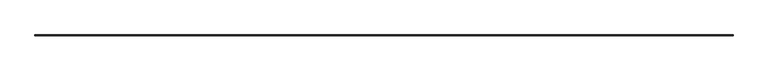
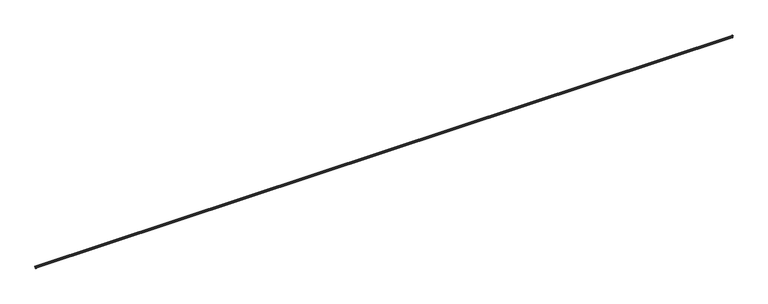
"""IFC4 building model written with IfcOpenShell, lengths in millimetres: railing geometry."""

from ifc_helpers import new_model, si_unit, frame, origin, place, context, project, spatial, polyline, circle_curve, ellipse_curve, source, transform, mapped, element, save
from ifc_brep_helpers import plane_surface, cylinder_surface, revolved_surface, advanced_brep


def railing_9c1cf154(model_context):
    return source(origin(), model_context, "Body", "AdvancedBrep", [
        advanced_brep(
        [(-23692.4271234, 80050.9828523, 648.6835597), (-23692.4271234, 80050.9828523, 647.8898097), (-23682.3805712, 80050.9828523, 647.8898097), (-23680.4249094, 80050.9828523, 664.2162889), (-23680.5377499, 80050.9828523, 688.1838761), (-23678.9257362, 80050.9828523, 693.5247624), (-23680.0271148, 80050.9828523, 706.1931384), (-23693.5336281, 80050.9828523, 710.9985349), (-23693.5336281, 80050.9828523, 710.1560441), (-23680.2931801, 80050.9828523, 705.4453094), (-23679.3281713, 80050.9828523, 694.2090688), (-23679.7193055, 80050.9828523, 693.5467635), (-23681.2147813, 80050.9828523, 688.5987516), (-23681.1229878, 80050.9828523, 663.8375236), (-23682.7548431, 80050.9828523, 648.6835597), (-41982.6401328, 80050.9828523, 648.6835597), (-41992.3124131, 80050.9828523, 648.6835597), (-41993.9442683, 80050.9828523, 663.8375236), (-41993.8524748, 80050.9828523, 688.5987516), (-41995.3479506, 80050.9828523, 693.5467635), (-41995.7390848, 80050.9828523, 694.2090688), (-41994.774076, 80050.9828523, 705.4453094), (-41981.5336281, 80050.9828523, 710.1560441), (-41981.5336281, 80050.9828523, 710.9985349), (-41995.0401414, 80050.9828523, 706.1931384), (-41996.14152, 80050.9828523, 693.5247624), (-41994.5295062, 80050.9828523, 688.1838761), (-41994.6423468, 80050.9828523, 664.2162889), (-41992.6866849, 80050.9828523, 647.8898097), (-41982.6401328, 80050.9828523, 647.8898097), (-23680.2931801, 80065.0170503, 705.4453094), (-23693.5336281, 80051.7766023, 710.1560441), (-41981.5336281, 80051.7766023, 710.1560441), (-41994.774076, 80065.0170503, 705.4453094), (-23679.3281713, 80065.9820591, 694.2090688), (-41995.7390848, 80065.9820591, 694.2090688), (-23679.7193055, 80065.5909248, 693.5467635), (-41995.3479506, 80065.5909248, 693.5467635), (-23681.2147813, 80064.095449, 688.5987516), (-41993.8524748, 80064.095449, 688.5987516), (-23681.1229878, 80064.1872426, 663.8375236), (-41993.9442683, 80064.1872426, 663.8375236), (-23682.7548431, 80062.5553873, 648.6835597), (-41992.3124131, 80062.5553873, 648.6835597), (-23693.5336281, 80051.7766023, 710.9985349), (-23680.0271148, 80065.2831156, 706.1931384), (-41995.0401414, 80065.2831156, 706.1931384), (-41981.5336281, 80051.7766023, 710.9985349), (-23678.9257362, 80066.3844942, 693.5247624), (-41996.14152, 80066.3844942, 693.5247624), (-23680.5377499, 80064.7724805, 688.1838761), (-41994.5295062, 80064.7724805, 688.1838761), (-23680.4249094, 80064.885321, 664.2162889), (-41994.6423468, 80064.885321, 664.2162889), (-23682.3805712, 80062.9296591, 647.8898097), (-41992.6866849, 80062.9296591, 647.8898097), (-23692.4271234, 80052.883107, 647.8898097), (-41982.6401328, 80052.883107, 647.8898097), (-23692.4271234, 80052.883107, 648.6835597), (-41982.6401328, 80052.883107, 648.6835597)],
        [
            (0, 1),
            (1, 2),
            (2, 3, circle_curve(frame((-23693.779518, 80050.9828523, 657.5355975), z_axis=(0.0, -1.0, 0.0), x_axis=(0.8951711117416934, 0.0, 0.44572264997769706)), 14.9324214)),
            (3, 4, circle_curve(frame((-23659.8958846, 80050.9828523, 676.2969997), z_axis=(0.0, 1.0, 0.0), x_axis=(-0.8661435814316703, 0.0, 0.49979525442396877)), 23.8198327)),
            (4, 5, circle_curve(frame((-23688.9354863, 80050.9828523, 693.6322403), z_axis=(0.0, -1.0, 0.0), x_axis=(0.9999569932718789, 0.0, -0.009274244263736115)), 10.0103271)),
            (5, 6, circle_curve(frame((-23682.3702249, 80050.9828523, 699.6073658), z_axis=(0.0, -1.0, 0.0), x_axis=(0.33520042993558957, 0.0, 0.9421468419365402)), 6.9901764)),
            (6, 7),
            (7, 8),
            (8, 9),
            (9, 10, circle_curve(frame((-23682.3702249, 80050.9828523, 699.6073658), z_axis=(0.0, 1.0, 0.0), x_axis=(0.33520042993558957, 0.0, 0.9421468419365402)), 6.1964264)),
            (10, 11, circle_curve(frame((-23678.9509325, 80050.9828523, 693.5396371), z_axis=(0.0, -1.0, 0.0), x_axis=(-0.4909367742354786, 0.0, 0.8711952041323819)), 0.7684061)),
            (11, 12, circle_curve(frame((-23688.9354863, 80050.9828523, 693.6322403), z_axis=(0.0, 1.0, 0.0), x_axis=(0.9999569932718789, 0.0, -0.009274244263736115)), 9.2165771)),
            (12, 13, circle_curve(frame((-23659.8958846, 80050.9828523, 676.2969997), z_axis=(0.0, -1.0, 0.0), x_axis=(-0.8661435814316703, 0.0, 0.49979525442396877)), 24.6135827)),
            (13, 14, circle_curve(frame((-23693.779518, 80050.9828523, 657.5355975), z_axis=(0.0, 1.0, 0.0), x_axis=(0.8951711117416934, 0.0, 0.44572264997769706)), 14.1386714)),
            (14, 0),
            (15, 16),
            (16, 17, circle_curve(frame((-41981.2877381, 80050.9828523, 657.5355975), z_axis=(0.0, 1.0, 0.0), x_axis=(-0.8951711117416934, 0.0, 0.44572264997769706)), 14.1386714)),
            (17, 18, circle_curve(frame((-42015.1713715, 80050.9828523, 676.2969997), z_axis=(0.0, -1.0, 0.0), x_axis=(0.8661435814316703, 0.0, 0.49979525442396877)), 24.6135827)),
            (18, 19, circle_curve(frame((-41986.1317699, 80050.9828523, 693.6322403), z_axis=(0.0, 1.0, 0.0), x_axis=(-0.9999569932718789, 0.0, -0.009274244263736115)), 9.2165771)),
            (19, 20, circle_curve(frame((-41996.1163236, 80050.9828523, 693.5396371), z_axis=(0.0, -1.0, 0.0), x_axis=(0.4909367742354786, 0.0, 0.8711952041323819)), 0.7684061)),
            (20, 21, circle_curve(frame((-41992.6970312, 80050.9828523, 699.6073658), z_axis=(0.0, 1.0, 0.0), x_axis=(-0.33520042993558957, 0.0, 0.9421468419365402)), 6.1964264)),
            (21, 22),
            (22, 23),
            (23, 24),
            (24, 25, circle_curve(frame((-41992.6970312, 80050.9828523, 699.6073658), z_axis=(0.0, -1.0, 0.0), x_axis=(-0.33520042993558957, 0.0, 0.9421468419365402)), 6.9901764)),
            (25, 26, circle_curve(frame((-41986.1317699, 80050.9828523, 693.6322403), z_axis=(0.0, -1.0, 0.0), x_axis=(-0.9999569932718789, 0.0, -0.009274244263736115)), 10.0103271)),
            (26, 27, circle_curve(frame((-42015.1713715, 80050.9828523, 676.2969997), z_axis=(0.0, 1.0, 0.0), x_axis=(0.8661435814316703, 0.0, 0.49979525442396877)), 23.8198327)),
            (27, 28, circle_curve(frame((-41981.2877381, 80050.9828523, 657.5355975), z_axis=(0.0, -1.0, 0.0), x_axis=(-0.8951711117416934, 0.0, 0.44572264997769706)), 14.9324214)),
            (28, 29),
            (29, 15),
            (30, 31),
            (31, 32),
            (32, 33),
            (33, 30),
            (34, 30, ellipse_curve(frame((-23682.3702249, 80062.9400055, 699.6073658), z_axis=(0.7071067811865461, -0.7071067811865488, 0.0), x_axis=(-0.7071067811865489, -0.707106781186546, 0.0)), 8.7630703, 6.1964264)),
            (33, 35, ellipse_curve(frame((-41992.6970312, 80062.9400055, 699.6073658), z_axis=(-0.7071067811865488, -0.7071067811865461, 0.0), x_axis=(-0.7071067811865462, 0.7071067811865487, 0.0)), 8.7630703, 6.1964264)),
            (35, 34),
            (36, 34, ellipse_curve(frame((-23678.9509325, 80066.3592979, 693.5396371), z_axis=(-0.7071067811865461, 0.7071067811865488, 0.0), x_axis=(0.7071067811865489, 0.707106781186546, 0.0)), 1.0866903, 0.7684061)),
            (35, 37, ellipse_curve(frame((-41996.1163236, 80066.3592979, 693.5396371), z_axis=(0.7071067811865488, 0.7071067811865461, 0.0), x_axis=(0.7071067811865462, -0.7071067811865487, 0.0)), 1.0866903, 0.7684061)),
            (37, 36),
            (38, 36, ellipse_curve(frame((-23688.9354863, 80056.3747441, 693.6322403), z_axis=(0.7071067811865461, -0.7071067811865488, 0.0), x_axis=(-0.7071067811865489, -0.707106781186546, 0.0)), 13.0342083, 9.2165771)),
            (37, 39, ellipse_curve(frame((-41986.1317699, 80056.3747441, 693.6322403), z_axis=(-0.7071067811865488, -0.7071067811865461, 0.0), x_axis=(-0.7071067811865462, 0.7071067811865487, 0.0)), 13.0342083, 9.2165771)),
            (39, 38),
            (40, 38, ellipse_curve(frame((-23659.8958846, 80085.4143457, 676.2969997), z_axis=(-0.7071067811865461, 0.7071067811865488, 0.0), x_axis=(0.7071067811865489, 0.707106781186546, 0.0)), 34.8088625, 24.6135827)),
            (39, 41, ellipse_curve(frame((-42015.1713715, 80085.4143457, 676.2969997), z_axis=(0.7071067811865488, 0.7071067811865461, 0.0), x_axis=(0.7071067811865462, -0.7071067811865487, 0.0)), 34.8088625, 24.6135827)),
            (41, 40),
            (42, 40, ellipse_curve(frame((-23693.779518, 80051.5307124, 657.5355975), z_axis=(0.7071067811865461, -0.7071067811865488, 0.0), x_axis=(-0.7071067811865489, -0.707106781186546, 0.0)), 19.9951009, 14.1386714)),
            (41, 43, ellipse_curve(frame((-41981.2877381, 80051.5307124, 657.5355975), z_axis=(-0.7071067811865488, -0.7071067811865461, 0.0), x_axis=(-0.7071067811865462, 0.7071067811865487, 0.0)), 19.9951009, 14.1386714)),
            (43, 42),
            (44, 45),
            (45, 46),
            (46, 47),
            (47, 44),
            (45, 48, ellipse_curve(frame((-23682.3702249, 80062.9400055, 699.6073658), z_axis=(-0.7071067811865461, 0.7071067811865488, 0.0), x_axis=(0.7071067811865489, 0.707106781186546, 0.0)), 9.8856023, 6.9901764)),
            (48, 49),
            (49, 46, ellipse_curve(frame((-41992.6970312, 80062.9400055, 699.6073658), z_axis=(0.7071067811865488, 0.7071067811865461, 0.0), x_axis=(0.7071067811865462, -0.7071067811865487, 0.0)), 9.8856023, 6.9901764)),
            (48, 50, ellipse_curve(frame((-23688.9354863, 80056.3747441, 693.6322403), z_axis=(-0.7071067811865461, 0.7071067811865488, 0.0), x_axis=(0.7071067811865489, 0.707106781186546, 0.0)), 14.1567403, 10.0103271)),
            (50, 51),
            (51, 49, ellipse_curve(frame((-41986.1317699, 80056.3747441, 693.6322403), z_axis=(0.7071067811865488, 0.7071067811865461, 0.0), x_axis=(0.7071067811865462, -0.7071067811865487, 0.0)), 14.1567403, 10.0103271)),
            (50, 52, ellipse_curve(frame((-23659.8958846, 80085.4143457, 676.2969997), z_axis=(0.7071067811865461, -0.7071067811865488, 0.0), x_axis=(-0.7071067811865489, -0.707106781186546, 0.0)), 33.6863305, 23.8198327)),
            (52, 53),
            (53, 51, ellipse_curve(frame((-42015.1713715, 80085.4143457, 676.2969997), z_axis=(-0.7071067811865488, -0.7071067811865461, 0.0), x_axis=(-0.7071067811865462, 0.7071067811865487, 0.0)), 33.6863305, 23.8198327)),
            (52, 54, ellipse_curve(frame((-23693.779518, 80051.5307124, 657.5355975), z_axis=(-0.7071067811865461, 0.7071067811865488, 0.0), x_axis=(0.7071067811865489, 0.707106781186546, 0.0)), 21.1176329, 14.9324214)),
            (54, 55),
            (55, 53, ellipse_curve(frame((-41981.2877381, 80051.5307124, 657.5355975), z_axis=(0.7071067811865488, 0.7071067811865461, 0.0), x_axis=(0.7071067811865462, -0.7071067811865487, 0.0)), 21.1176329, 14.9324214)),
            (54, 56),
            (56, 57),
            (57, 55),
            (56, 58),
            (58, 59),
            (59, 57),
            (31, 44),
            (47, 32),
            (58, 42),
            (43, 59),
            (14, 42),
            (58, 0),
            (11, 36),
            (38, 12),
            (10, 34),
            (9, 30),
            (8, 31),
            (43, 16),
            (15, 59),
            (37, 19),
            (18, 39),
            (35, 20),
            (33, 21),
            (32, 22),
            (56, 1),
            (54, 2),
            (52, 3),
            (50, 4),
            (48, 5),
            (45, 6),
            (44, 7),
            (40, 13),
            (29, 57),
            (28, 55),
            (27, 53),
            (26, 51),
            (25, 49),
            (24, 46),
            (23, 47),
            (17, 41),
        ],
        [
            plane_surface(frame((-23693.5336281, 80050.9828523, 711.2), z_axis=(0.0, -1.0, 0.0), x_axis=(0.0, 0.0, 1.0))),
            plane_surface(frame((-41981.5336281, 80050.9828523, 711.2), z_axis=(0.0, -1.0, 0.0), x_axis=(0.0, 0.0, -1.0))),
            plane_surface(frame((-23693.5336281, 80051.7766023, 710.1560441), z_axis=(0.0, -0.33520042993561017, -0.9421468419365328), x_axis=(-1.0, 0.0, 0.0))),
            revolved_surface(polyline([(-41998.89345763315, 80065.01705029335, 705.4453093640523), (-23676.173798466858, 80065.01705029335, 705.4453093640523)]), (-23693.5336281, 80062.9400055, 699.6073658), (-1.0000000000000002, 0.0, 0.0)),
            cylinder_surface(frame((-23693.5336281, 80066.3592979, 693.5396371), z_axis=(1.0, 0.0, 0.0), x_axis=(0.0, -0.4909367742354786, 0.8711952041323819)), 0.7684061),
            revolved_surface(polyline([(-41995.34834697633, 80065.59092482517, 693.546763512699), (-23679.718909223673, 80065.59092482517, 693.546763512699)]), (-23693.5336281, 80056.3747441, 693.6322403), (-1.0, 0.0, 0.0)),
            cylinder_surface(frame((-23693.5336281, 80085.4143457, 676.2969997), z_axis=(1.0, 0.0, 0.0), x_axis=(0.0, -0.8661435814316703, 0.49979525442396877)), 24.6135827),
            revolved_surface(polyline([(-41995.4264095369, 80064.18724259568, 663.8375235835719), (-23679.6408465631, 80064.18724259568, 663.8375235835719)]), (-23693.5336281, 80051.5307124, 657.5355975), (-1.0, 0.0, 0.0)),
            plane_surface(frame((-23680.0271148, 80065.2831156, 706.1931384), z_axis=(0.0, 0.3352004299356101, 0.9421468419365329), x_axis=(-1.0, 0.0, 0.0))),
            cylinder_surface(frame((-23693.5336281, 80062.9400055, 699.6073658), z_axis=(1.0000000000000002, 0.0, 0.0), x_axis=(0.0, 0.33520042993558957, 0.9421468419365402)), 6.9901764),
            cylinder_surface(frame((-23693.5336281, 80056.3747441, 693.6322403), z_axis=(1.0, 0.0, 0.0), x_axis=(0.0, 0.9999569932718789, -0.009274244263736115)), 10.0103271),
            revolved_surface(polyline([(-42038.99120422984, 80064.78295049613, 688.2020390446329), (-23636.076051870157, 80064.78295049613, 688.2020390446329)]), (-23693.5336281, 80085.4143457, 676.2969997), (-1.0, 0.0, 0.0)),
            cylinder_surface(frame((-23693.5336281, 80051.5307124, 657.5355975), z_axis=(1.0, 0.0, 0.0), x_axis=(0.0, 0.8951711117416934, 0.44572264997769706)), 14.9324214),
            plane_surface(frame((-23692.4271234, 80052.883107, 647.8898097), z_axis=(0.0, 0.0, -1.0), x_axis=(-1.0, 0.0, 0.0))),
            plane_surface(frame((-23692.4271234, 80052.883107, 648.6835597), z_axis=(0.0, -1.0, 0.0), x_axis=(-1.0, 0.0, 0.0))),
            plane_surface(frame((-23693.5336281, 80051.7766023, 710.9985349), z_axis=(0.0, -1.0, 0.0), x_axis=(-1.0, 0.0, 0.0))),
            plane_surface(frame((-23682.7548431, 80062.5553873, 648.6835597), z_axis=(0.0, 0.0, 1.0), x_axis=(-1.0, 0.0, 0.0))),
            plane_surface(frame((-23682.7548431, 80050.9828523, 648.6835597), z_axis=(0.0, 0.0, 1.0), x_axis=(0.0, 1.0, 0.0))),
            revolved_surface(polyline([(-23679.719305574825, 80065.59132117633, 693.546763512699), (-23679.719305574825, 80047.15816702368, 693.546763512699)]), (-23688.9354863, 80050.9828523, 693.6322403), (0.0, 1.0, 0.0)),
            cylinder_surface(frame((-23678.9509325, 80050.9828523, 693.5396371), z_axis=(0.0, -1.0, 0.0), x_axis=(-0.4909367742354786, 0.0, 0.8711952041323819)), 0.7684061),
            revolved_surface(polyline([(-23680.29318010666, 80069.13643193315, 705.4453093640523), (-23680.29318010666, 80050.9828523, 705.4453093640523)]), (-23682.3702249, 80050.9828523, 699.6073658), (0.0, 1.0000000000000002, 0.0)),
            plane_surface(frame((-23693.5336281, 80050.9828523, 710.1560441), z_axis=(-0.33520042993561017, 0.0, -0.9421468419365328), x_axis=(0.0, 1.0, 0.0))),
            plane_surface(frame((-41992.3124131, 80062.5553873, 648.6835597), z_axis=(0.0, 0.0, 1.0), x_axis=(0.0, -1.0, 0.0))),
            revolved_surface(polyline([(-41995.347950625175, 80047.15816702368, 693.546763512699), (-41995.347950625175, 80065.59132117633, 693.546763512699)]), (-41986.1317699, 80051.7766023, 693.6322403), (0.0, -1.0, 0.0)),
            cylinder_surface(frame((-41996.1163236, 80051.7766023, 693.5396371), z_axis=(0.0, 1.0, 0.0), x_axis=(0.4909367742354786, 0.0, 0.8711952041323819)), 0.7684061),
            revolved_surface(polyline([(-41994.774075993344, 80050.9828523, 705.4453093640523), (-41994.774075993344, 80069.13643193315, 705.4453093640523)]), (-41992.6970312, 80051.7766023, 699.6073658), (0.0, -1.0000000000000002, 0.0)),
            plane_surface(frame((-41981.5336281, 80051.7766023, 710.1560441), z_axis=(0.33520042993561017, 0.0, -0.9421468419365328), x_axis=(0.0, -1.0, 0.0))),
            plane_surface(frame((-23692.4271234, 80050.9828523, 648.6835597), z_axis=(-1.0, 2.279414688606973e-12, 0.0), x_axis=(2.279414688606973e-12, 1.0, 0.0))),
            plane_surface(frame((-23692.4271234, 80050.9828523, 647.8898097), z_axis=(0.0, 0.0, -1.0), x_axis=(2.279414688606973e-12, 1.0, 0.0))),
            cylinder_surface(frame((-23693.779518, 80050.9828523, 657.5355975), z_axis=(0.0, -1.0, 0.0), x_axis=(0.8951711117416934, 0.0, 0.44572264997769706)), 14.9324214),
            revolved_surface(polyline([(-23680.52727980388, 80109.23417842985, 688.2020390446329), (-23680.52727980388, 80050.9828523, 688.2020390446329)]), (-23659.8958846, 80050.9828523, 676.2969997), (0.0, 1.0, 0.0)),
            cylinder_surface(frame((-23688.9354863, 80050.9828523, 693.6322403), z_axis=(0.0, -1.0, 0.0), x_axis=(0.9999569932718789, 0.0, -0.009274244263736115)), 10.0103271),
            cylinder_surface(frame((-23682.3702249, 80050.9828523, 699.6073658), z_axis=(0.0, -1.0000000000000002, 0.0), x_axis=(0.33520042993558957, 0.0, 0.9421468419365402)), 6.9901764),
            plane_surface(frame((-23680.0271148, 80050.9828523, 706.1931384), z_axis=(0.3352004299356101, 0.0, 0.9421468419365329), x_axis=(0.0, 1.0, 0.0))),
            plane_surface(frame((-23693.5336281, 80050.9828523, 710.9985349), z_axis=(-1.0, 0.0, 0.0), x_axis=(0.0, 1.0, 0.0))),
            cylinder_surface(frame((-23659.8958846, 80050.9828523, 676.2969997), z_axis=(0.0, -1.0, 0.0), x_axis=(-0.8661435814316703, 0.0, 0.49979525442396877)), 24.6135827),
            revolved_surface(polyline([(-23681.122987804312, 80065.6693838369, 663.8375235835719), (-23681.122987804312, 80037.3920409631, 663.8375235835719)]), (-23693.779518, 80050.9828523, 657.5355975), (0.0, 1.0, 0.0)),
            plane_surface(frame((-41982.6401328, 80052.883107, 648.6835597), z_axis=(1.0, 0.0, 0.0), x_axis=(0.0, -1.0, 0.0))),
            plane_surface(frame((-41982.6401328, 80052.883107, 647.8898097), z_axis=(0.0, 0.0, -1.0), x_axis=(0.0, -1.0, 0.0))),
            cylinder_surface(frame((-41981.2877381, 80051.7766023, 657.5355975), z_axis=(0.0, 1.0, 0.0), x_axis=(-0.8951711117416934, 0.0, 0.44572264997769706)), 14.9324214),
            revolved_surface(polyline([(-41994.53997629612, 80050.9828523, 688.2020390446329), (-41994.53997629612, 80109.23417842985, 688.2020390446329)]), (-42015.1713715, 80051.7766023, 676.2969997), (0.0, -1.0, 0.0)),
            cylinder_surface(frame((-41986.1317699, 80051.7766023, 693.6322403), z_axis=(0.0, 1.0, 0.0), x_axis=(-0.9999569932718789, 0.0, -0.009274244263736115)), 10.0103271),
            cylinder_surface(frame((-41992.6970312, 80051.7766023, 699.6073658), z_axis=(0.0, 1.0000000000000002, 0.0), x_axis=(-0.33520042993558957, 0.0, 0.9421468419365402)), 6.9901764),
            plane_surface(frame((-41995.0401414, 80065.2831156, 706.1931384), z_axis=(-0.3352004299356101, 0.0, 0.9421468419365329), x_axis=(0.0, -1.0, 0.0))),
            plane_surface(frame((-41981.5336281, 80051.7766023, 710.9985349), z_axis=(1.0, 0.0, 0.0), x_axis=(0.0, -1.0, 0.0))),
            cylinder_surface(frame((-42015.1713715, 80051.7766023, 676.2969997), z_axis=(0.0, 1.0, 0.0), x_axis=(0.8661435814316703, 0.0, 0.49979525442396877)), 24.6135827),
            revolved_surface(polyline([(-41993.94426829569, 80037.3920409631, 663.8375235835719), (-41993.94426829569, 80065.6693838369, 663.8375235835719)]), (-41981.2877381, 80051.7766023, 657.5355975), (0.0, -1.0, 0.0)),
        ],
        [
            (0, [[1, 2, 3, 4, 5, 6, 7, 8, 9, 10, 11, 12, 13, 14, 15]]),
            (1, [[16, 17, 18, 19, 20, 21, 22, 23, 24, 25, 26, 27, 28, 29, 30]]),
            (2, [[31, 32, 33, 34]]),
            (3, [[35, -34, 36, 37]]),
            (4, [[38, -37, 39, 40]]),
            (5, [[41, -40, 42, 43]]),
            (6, [[44, -43, 45, 46]]),
            (7, [[47, -46, 48, 49]]),
            (8, [[50, 51, 52, 53]]),
            (9, [[54, 55, 56, -51]]),
            (10, [[57, 58, 59, -55]]),
            (11, [[60, 61, 62, -58]]),
            (12, [[63, 64, 65, -61]]),
            (13, [[66, 67, 68, -64]]),
            (14, [[69, 70, 71, -67]]),
            (15, [[72, -53, 73, -32]]),
            (16, [[74, -49, 75, -70]]),
            (17, [[-15, 76, -74, 77]]),
            (18, [[-12, 78, -41, 79]]),
            (19, [[-11, 80, -38, -78]]),
            (20, [[-10, 81, -35, -80]]),
            (21, [[-9, 82, -31, -81]]),
            (22, [[-75, 83, -16, 84]]),
            (23, [[-42, 85, -19, 86]]),
            (24, [[-39, 87, -20, -85]]),
            (25, [[-36, 88, -21, -87]]),
            (26, [[-33, 89, -22, -88]]),
            (27, [[-1, -77, -69, 90]]),
            (28, [[-2, -90, -66, 91]]),
            (29, [[-3, -91, -63, 92]]),
            (30, [[-4, -92, -60, 93]]),
            (31, [[-5, -93, -57, 94]]),
            (32, [[-6, -94, -54, 95]]),
            (33, [[-7, -95, -50, 96]]),
            (34, [[-8, -96, -72, -82]]),
            (35, [[-13, -79, -44, 97]]),
            (36, [[-14, -97, -47, -76]]),
            (37, [[-71, -84, -30, 98]]),
            (38, [[-68, -98, -29, 99]]),
            (39, [[-65, -99, -28, 100]]),
            (40, [[-62, -100, -27, 101]]),
            (41, [[-59, -101, -26, 102]]),
            (42, [[-56, -102, -25, 103]]),
            (43, [[-52, -103, -24, 104]]),
            (44, [[-73, -104, -23, -89]]),
            (45, [[-45, -86, -18, 105]]),
            (46, [[-48, -105, -17, -83]]),
        ],
    ),
        advanced_brep(
        [(-23692.4271234, 80050.9828523, 648.6835597), (-23682.7548431, 80050.9828523, 648.6835597), (-23681.1229878, 80050.9828523, 663.8375236), (-23681.2147813, 80050.9828523, 688.5987516), (-23679.7193055, 80050.9828523, 693.5467635), (-23679.3281713, 80050.9828523, 694.2090688), (-23680.2931801, 80050.9828523, 705.4453094), (-23693.5336281, 80050.9828523, 710.1560441), (-23693.5336281, 80050.9828523, 681.2639765), (-23689.6915978, 80050.9828523, 681.2639765), (-23689.6915978, 80050.9828523, 677.5756274), (-23693.5336281, 80050.9828523, 677.5756274), (-23693.5336281, 80050.9828523, 654.8308082), (-23692.4271234, 80050.9828523, 654.8308082), (-41982.6401328, 80050.9828523, 648.6835597), (-41982.6401328, 80050.9828523, 654.8308082), (-41981.5336281, 80050.9828523, 654.8308082), (-41981.5336281, 80050.9828523, 677.5756274), (-41985.3756584, 80050.9828523, 677.5756274), (-41985.3756584, 80050.9828523, 681.2639765), (-41981.5336281, 80050.9828523, 681.2639765), (-41981.5336281, 80050.9828523, 710.1560441), (-41994.774076, 80050.9828523, 705.4453094), (-41995.7390848, 80050.9828523, 694.2090688), (-41995.3479506, 80050.9828523, 693.5467635), (-41993.8524748, 80050.9828523, 688.5987516), (-41993.9442683, 80050.9828523, 663.8375236), (-41992.3124131, 80050.9828523, 648.6835597), (-23681.1229878, 80064.1872426, 663.8375236), (-23681.2147813, 80064.095449, 688.5987516), (-23682.7548431, 80062.5553873, 648.6835597), (-41993.9442683, 80064.1872426, 663.8375236), (-41993.8524748, 80064.095449, 688.5987516), (-41992.3124131, 80062.5553873, 648.6835597), (-23692.4271234, 80052.883107, 648.6835597), (-23679.7193055, 80065.5909248, 693.5467635), (-23679.3281713, 80065.9820591, 694.2090688), (-23680.2931801, 80065.0170503, 705.4453094), (-23693.5336281, 80051.7766023, 710.1560441), (-23693.5336281, 80051.7766023, 681.2639765), (-23689.6915978, 80055.6186326, 681.2639765), (-23689.6915978, 80055.6186326, 677.5756274), (-23693.5336281, 80051.7766023, 677.5756274), (-23693.5336281, 80051.7766023, 654.8308082), (-23692.4271234, 80052.883107, 654.8308082), (-41982.6401328, 80052.883107, 648.6835597), (-41995.3479506, 80065.5909248, 693.5467635), (-41995.7390848, 80065.9820591, 694.2090688), (-41994.774076, 80065.0170503, 705.4453094), (-41981.5336281, 80051.7766023, 710.1560441), (-41981.5336281, 80051.7766023, 681.2639765), (-41985.3756584, 80055.6186326, 681.2639765), (-41985.3756584, 80055.6186326, 677.5756274), (-41981.5336281, 80051.7766023, 677.5756274), (-41981.5336281, 80051.7766023, 654.8308082), (-41982.6401328, 80052.883107, 654.8308082)],
        [
            (0, 1),
            (1, 2, circle_curve(frame((-23693.779518, 80050.9828523, 657.5355975), z_axis=(0.0, -1.0, 0.0), x_axis=(0.8951711117416934, 0.0, 0.44572264997769706)), 14.1386714)),
            (2, 3, circle_curve(frame((-23659.8958846, 80050.9828523, 676.2969997), z_axis=(0.0, 1.0, 0.0), x_axis=(-0.8661435814316703, 0.0, 0.49979525442396877)), 24.6135827)),
            (3, 4, circle_curve(frame((-23688.9354863, 80050.9828523, 693.6322403), z_axis=(0.0, -1.0, 0.0), x_axis=(0.9999569932718789, 0.0, -0.009274244263736115)), 9.2165771)),
            (4, 5, circle_curve(frame((-23678.9509325, 80050.9828523, 693.5396371), z_axis=(0.0, 1.0, 0.0), x_axis=(-0.4909367742354786, 0.0, 0.8711952041323819)), 0.7684061)),
            (5, 6, circle_curve(frame((-23682.3702249, 80050.9828523, 699.6073658), z_axis=(0.0, -1.0, 0.0), x_axis=(0.33520042993558957, 0.0, 0.9421468419365402)), 6.1964264)),
            (6, 7),
            (7, 8),
            (8, 9),
            (9, 10),
            (10, 11),
            (11, 12),
            (12, 13),
            (13, 0),
            (14, 15),
            (15, 16),
            (16, 17),
            (17, 18),
            (18, 19),
            (19, 20),
            (20, 21),
            (21, 22),
            (22, 23, circle_curve(frame((-41992.6970312, 80050.9828523, 699.6073658), z_axis=(0.0, -1.0, 0.0), x_axis=(-0.33520042993558957, 0.0, 0.9421468419365402)), 6.1964264)),
            (23, 24, circle_curve(frame((-41996.1163236, 80050.9828523, 693.5396371), z_axis=(0.0, 1.0, 0.0), x_axis=(0.4909367742354786, 0.0, 0.8711952041323819)), 0.7684061)),
            (24, 25, circle_curve(frame((-41986.1317699, 80050.9828523, 693.6322403), z_axis=(0.0, -1.0, 0.0), x_axis=(-0.9999569932718789, 0.0, -0.009274244263736115)), 9.2165771)),
            (25, 26, circle_curve(frame((-42015.1713715, 80050.9828523, 676.2969997), z_axis=(0.0, 1.0, 0.0), x_axis=(0.8661435814316703, 0.0, 0.49979525442396877)), 24.6135827)),
            (26, 27, circle_curve(frame((-41981.2877381, 80050.9828523, 657.5355975), z_axis=(0.0, -1.0, 0.0), x_axis=(-0.8951711117416934, 0.0, 0.44572264997769706)), 14.1386714)),
            (27, 14),
            (2, 28),
            (28, 29, ellipse_curve(frame((-23659.8958846, 80085.4143457, 676.2969997), z_axis=(-0.7071067811865461, 0.7071067811865488, 0.0), x_axis=(0.7071067811865487, 0.7071067811865462, 0.0)), 34.8088625, 24.6135827)),
            (29, 3),
            (1, 30),
            (30, 28, ellipse_curve(frame((-23693.779518, 80051.5307124, 657.5355975), z_axis=(0.7071067811865461, -0.7071067811865488, 0.0), x_axis=(-0.7071067811865487, -0.7071067811865462, 0.0)), 19.9951009, 14.1386714)),
            (28, 31),
            (31, 32, ellipse_curve(frame((-42015.1713715, 80085.4143457, 676.2969997), z_axis=(-0.7071067811865488, -0.7071067811865461, 0.0), x_axis=(-0.7071067811865462, 0.7071067811865487, 0.0)), 34.8088625, 24.6135827)),
            (32, 29),
            (30, 33),
            (33, 31, ellipse_curve(frame((-41981.2877381, 80051.5307124, 657.5355975), z_axis=(0.7071067811865488, 0.7071067811865461, 0.0), x_axis=(0.7071067811865462, -0.7071067811865487, 0.0)), 19.9951009, 14.1386714)),
            (31, 26),
            (25, 32),
            (33, 27),
            (0, 34),
            (34, 30),
            (29, 35, ellipse_curve(frame((-23688.9354863, 80056.3747441, 693.6322403), z_axis=(0.7071067811865461, -0.7071067811865488, 0.0), x_axis=(-0.7071067811865487, -0.7071067811865462, 0.0)), 13.0342083, 9.2165771)),
            (35, 4),
            (35, 36, ellipse_curve(frame((-23678.9509325, 80066.3592979, 693.5396371), z_axis=(-0.7071067811865461, 0.7071067811865488, 0.0), x_axis=(0.7071067811865487, 0.7071067811865462, 0.0)), 1.0866903, 0.7684061)),
            (36, 5),
            (36, 37, ellipse_curve(frame((-23682.3702249, 80062.9400055, 699.6073658), z_axis=(0.7071067811865461, -0.7071067811865488, 0.0), x_axis=(-0.7071067811865487, -0.7071067811865462, 0.0)), 8.7630703, 6.1964264)),
            (37, 6),
            (37, 38),
            (38, 7),
            (38, 39),
            (39, 8),
            (39, 40),
            (40, 9),
            (40, 41),
            (41, 10),
            (41, 42),
            (42, 11),
            (42, 43),
            (43, 12),
            (43, 44),
            (44, 13),
            (44, 34),
            (34, 45),
            (45, 33),
            (32, 46, ellipse_curve(frame((-41986.1317699, 80056.3747441, 693.6322403), z_axis=(0.7071067811865488, 0.7071067811865461, 0.0), x_axis=(0.7071067811865462, -0.7071067811865487, 0.0)), 13.0342083, 9.2165771)),
            (46, 35),
            (46, 47, ellipse_curve(frame((-41996.1163236, 80066.3592979, 693.5396371), z_axis=(-0.7071067811865488, -0.7071067811865461, 0.0), x_axis=(-0.7071067811865462, 0.7071067811865487, 0.0)), 1.0866903, 0.7684061)),
            (47, 36),
            (47, 48, ellipse_curve(frame((-41992.6970312, 80062.9400055, 699.6073658), z_axis=(0.7071067811865488, 0.7071067811865461, 0.0), x_axis=(0.7071067811865462, -0.7071067811865487, 0.0)), 8.7630703, 6.1964264)),
            (48, 37),
            (48, 49),
            (49, 38),
            (49, 50),
            (50, 39),
            (50, 51),
            (51, 40),
            (51, 52),
            (52, 41),
            (52, 53),
            (53, 42),
            (53, 54),
            (54, 43),
            (54, 55),
            (55, 44),
            (55, 45),
            (45, 14),
            (24, 46),
            (23, 47),
            (22, 48),
            (21, 49),
            (20, 50),
            (19, 51),
            (18, 52),
            (17, 53),
            (16, 54),
            (15, 55),
        ],
        [
            plane_surface(frame((-23693.5336281, 80050.9828523, 711.2), z_axis=(0.0, -1.0, 0.0), x_axis=(0.0, 0.0, 1.0))),
            plane_surface(frame((-41981.5336281, 80050.9828523, 711.2), z_axis=(0.0, -1.0, 0.0), x_axis=(0.0, 0.0, -1.0))),
            revolved_surface(polyline([(-23681.214781271643, 80110.02792841915, 688.598751527832), (-23681.214781271643, 80050.9828523, 688.598751527832)]), (-23659.8958846, 80050.9828523, 676.2969997), (0.0, 1.0, 0.0)),
            cylinder_surface(frame((-23693.779518, 80050.9828523, 657.5355975), z_axis=(0.0, -1.0, 0.0), x_axis=(0.8951711117416934, 0.0, 0.44572264997769706)), 14.1386714),
            revolved_surface(polyline([(-42039.78495421914, 80064.09544902836, 688.598751527832), (-23635.28230188086, 80064.09544902836, 688.598751527832)]), (-23693.5336281, 80085.4143457, 676.2969997), (-1.0, 0.0, 0.0)),
            cylinder_surface(frame((-23693.5336281, 80051.5307124, 657.5355975), z_axis=(1.0, 0.0, 0.0), x_axis=(0.0, 0.8951711117416934, 0.44572264997769706)), 14.1386714),
            revolved_surface(polyline([(-41993.85247482836, 80050.9828523, 688.598751527832), (-41993.85247482836, 80110.02792841915, 688.598751527832)]), (-42015.1713715, 80051.7766023, 676.2969997), (0.0, -1.0, 0.0)),
            cylinder_surface(frame((-41981.2877381, 80051.7766023, 657.5355975), z_axis=(0.0, 1.0, 0.0), x_axis=(-0.8951711117416934, 0.0, 0.44572264997769706)), 14.1386714),
            plane_surface(frame((-23692.4271234, 80050.9828523, 648.6835597), z_axis=(0.0, 0.0, -1.0), x_axis=(2.279414688606973e-12, 1.0, 0.0))),
            cylinder_surface(frame((-23688.9354863, 80050.9828523, 693.6322403), z_axis=(0.0, -1.0, 0.0), x_axis=(0.9999569932718789, 0.0, -0.009274244263736115)), 9.2165771),
            revolved_surface(polyline([(-23679.328171312038, 80067.12770398018, 694.2090688091461), (-23679.328171312038, 80050.9828523, 694.2090688091461)]), (-23678.9509325, 80050.9828523, 693.5396371), (0.0, 1.0, 0.0)),
            cylinder_surface(frame((-23682.3702249, 80050.9828523, 699.6073658), z_axis=(0.0, -1.0000000000000002, 0.0), x_axis=(0.33520042993558957, 0.0, 0.9421468419365402)), 6.1964264),
            plane_surface(frame((-23680.2931801, 80050.9828523, 705.4453094), z_axis=(0.33520042993561017, 0.0, 0.9421468419365328), x_axis=(0.0, 1.0, 0.0))),
            plane_surface(frame((-23693.5336281, 80050.9828523, 710.1560441), z_axis=(-1.0, 0.0, 0.0), x_axis=(0.0, 1.0, 0.0))),
            plane_surface(frame((-23693.5336281, 80050.9828523, 681.2639765), z_axis=(0.0, 0.0, -1.0), x_axis=(0.0, 1.0, 0.0))),
            plane_surface(frame((-23689.6915978, 80050.9828523, 681.2639765), z_axis=(-1.0, 0.0, 0.0), x_axis=(0.0, 1.0, 0.0))),
            plane_surface(frame((-23689.6915978, 80050.9828523, 677.5756274), z_axis=(0.0, 0.0, 1.0), x_axis=(0.0, 1.0, 0.0))),
            plane_surface(frame((-23693.5336281, 80050.9828523, 677.5756274), z_axis=(-1.0, 0.0, 0.0), x_axis=(0.0, 1.0, 0.0))),
            plane_surface(frame((-23693.5336281, 80050.9828523, 654.8308082), z_axis=(0.0, 0.0, -1.0), x_axis=(0.0, 1.0, 0.0))),
            plane_surface(frame((-23692.4271234, 80050.9828523, 654.8308082), z_axis=(-1.0, 2.279414688606973e-12, 0.0), x_axis=(2.279414688606973e-12, 1.0, 0.0))),
            plane_surface(frame((-23692.4271234, 80052.883107, 648.6835597), z_axis=(0.0, 0.0, -1.0), x_axis=(-1.0, 0.0, 0.0))),
            cylinder_surface(frame((-23693.5336281, 80056.3747441, 693.6322403), z_axis=(1.0, 0.0, 0.0), x_axis=(0.0, 0.9999569932718789, -0.009274244263736115)), 9.2165771),
            revolved_surface(polyline([(-41996.88472968018, 80065.98205908795, 694.2090688091461), (-23678.18252641982, 80065.98205908795, 694.2090688091461)]), (-23693.5336281, 80066.3592979, 693.5396371), (-1.0, 0.0, 0.0)),
            cylinder_surface(frame((-23693.5336281, 80062.9400055, 699.6073658), z_axis=(1.0000000000000002, 0.0, 0.0), x_axis=(0.0, 0.33520042993558957, 0.9421468419365402)), 6.1964264),
            plane_surface(frame((-23680.2931801, 80065.0170503, 705.4453094), z_axis=(0.0, 0.33520042993561017, 0.9421468419365328), x_axis=(-1.0, 0.0, 0.0))),
            plane_surface(frame((-23693.5336281, 80051.7766023, 710.1560441), z_axis=(0.0, -1.0, 0.0), x_axis=(-1.0, 0.0, 0.0))),
            plane_surface(frame((-23693.5336281, 80051.7766023, 681.2639765), z_axis=(0.0, 0.0, -1.0), x_axis=(-1.0, 0.0, 0.0))),
            plane_surface(frame((-23689.6915978, 80055.6186326, 681.2639765), z_axis=(0.0, -1.0, 0.0), x_axis=(-1.0, 0.0, 0.0))),
            plane_surface(frame((-23689.6915978, 80055.6186326, 677.5756274), z_axis=(0.0, 0.0, 1.0), x_axis=(-1.0, 0.0, 0.0))),
            plane_surface(frame((-23693.5336281, 80051.7766023, 677.5756274), z_axis=(0.0, -1.0, 0.0), x_axis=(-1.0, 0.0, 0.0))),
            plane_surface(frame((-23693.5336281, 80051.7766023, 654.8308082), z_axis=(0.0, 0.0, -1.0), x_axis=(-1.0, 0.0, 0.0))),
            plane_surface(frame((-23692.4271234, 80052.883107, 654.8308082), z_axis=(0.0, -1.0, 0.0), x_axis=(-1.0, 0.0, 0.0))),
            plane_surface(frame((-41982.6401328, 80052.883107, 648.6835597), z_axis=(0.0, 0.0, -1.0), x_axis=(0.0, -1.0, 0.0))),
            cylinder_surface(frame((-41986.1317699, 80051.7766023, 693.6322403), z_axis=(0.0, 1.0, 0.0), x_axis=(-0.9999569932718789, 0.0, -0.009274244263736115)), 9.2165771),
            revolved_surface(polyline([(-41995.739084787965, 80050.9828523, 694.2090688091461), (-41995.739084787965, 80067.12770398018, 694.2090688091461)]), (-41996.1163236, 80051.7766023, 693.5396371), (0.0, -1.0, 0.0)),
            cylinder_surface(frame((-41992.6970312, 80051.7766023, 699.6073658), z_axis=(0.0, 1.0000000000000002, 0.0), x_axis=(-0.33520042993558957, 0.0, 0.9421468419365402)), 6.1964264),
            plane_surface(frame((-41994.774076, 80065.0170503, 705.4453094), z_axis=(-0.33520042993561017, 0.0, 0.9421468419365328), x_axis=(0.0, -1.0, 0.0))),
            plane_surface(frame((-41981.5336281, 80051.7766023, 710.1560441), z_axis=(1.0, 0.0, 0.0), x_axis=(0.0, -1.0, 0.0))),
            plane_surface(frame((-41981.5336281, 80051.7766023, 681.2639765), z_axis=(0.0, 0.0, -1.0), x_axis=(0.0, -1.0, 0.0))),
            plane_surface(frame((-41985.3756584, 80055.6186326, 681.2639765), z_axis=(1.0, 1.8687117433789986e-12, 0.0), x_axis=(1.8687117433789986e-12, -1.0, 0.0))),
            plane_surface(frame((-41985.3756584, 80055.6186326, 677.5756274), z_axis=(0.0, 0.0, 1.0), x_axis=(0.0, -1.0, 0.0))),
            plane_surface(frame((-41981.5336281, 80051.7766023, 677.5756274), z_axis=(1.0, 0.0, 0.0), x_axis=(0.0, -1.0, 0.0))),
            plane_surface(frame((-41981.5336281, 80051.7766023, 654.8308082), z_axis=(0.0, 0.0, -1.0), x_axis=(0.0, -1.0, 0.0))),
            plane_surface(frame((-41982.6401328, 80052.883107, 654.8308082), z_axis=(1.0, 0.0, 0.0), x_axis=(0.0, -1.0, 0.0))),
        ],
        [
            (0, [[1, 2, 3, 4, 5, 6, 7, 8, 9, 10, 11, 12, 13, 14]]),
            (1, [[15, 16, 17, 18, 19, 20, 21, 22, 23, 24, 25, 26, 27, 28]]),
            (2, [[-3, 29, 30, 31]]),
            (3, [[-2, 32, 33, -29]]),
            (4, [[-30, 34, 35, 36]]),
            (5, [[-33, 37, 38, -34]]),
            (6, [[-35, 39, -26, 40]]),
            (7, [[-38, 41, -27, -39]]),
            (8, [[-1, 42, 43, -32]]),
            (9, [[-4, -31, 44, 45]]),
            (10, [[-5, -45, 46, 47]]),
            (11, [[-6, -47, 48, 49]]),
            (12, [[-7, -49, 50, 51]]),
            (13, [[-8, -51, 52, 53]]),
            (14, [[-9, -53, 54, 55]]),
            (15, [[-10, -55, 56, 57]]),
            (16, [[-11, -57, 58, 59]]),
            (17, [[-12, -59, 60, 61]]),
            (18, [[-13, -61, 62, 63]]),
            (19, [[-14, -63, 64, -42]]),
            (20, [[-43, 65, 66, -37]]),
            (21, [[-44, -36, 67, 68]]),
            (22, [[-46, -68, 69, 70]]),
            (23, [[-48, -70, 71, 72]]),
            (24, [[-50, -72, 73, 74]]),
            (25, [[-52, -74, 75, 76]]),
            (26, [[-54, -76, 77, 78]]),
            (27, [[-56, -78, 79, 80]]),
            (28, [[-58, -80, 81, 82]]),
            (29, [[-60, -82, 83, 84]]),
            (30, [[-62, -84, 85, 86]]),
            (31, [[-64, -86, 87, -65]]),
            (32, [[-66, 88, -28, -41]]),
            (33, [[-67, -40, -25, 89]]),
            (34, [[-69, -89, -24, 90]]),
            (35, [[-71, -90, -23, 91]]),
            (36, [[-73, -91, -22, 92]]),
            (37, [[-75, -92, -21, 93]]),
            (38, [[-77, -93, -20, 94]]),
            (39, [[-79, -94, -19, 95]]),
            (40, [[-81, -95, -18, 96]]),
            (41, [[-83, -96, -17, 97]]),
            (42, [[-85, -97, -16, 98]]),
            (43, [[-87, -98, -15, -88]]),
        ],
    ),
    ])


if __name__ == "__main__":
    model = new_model("IFC4")
    model_context = context("Model", 3, world=origin())
    ifc_project = project(units=[si_unit("LENGTHUNIT", "METRE", prefix="MILLI")], contexts=[model_context])
    site = spatial("IfcSite", under=ifc_project)
    building = spatial("IfcBuilding", under=site)
    placement = place(None, origin())
    railing_shape = railing_9c1cf154(model_context)
    element("IfcRailing", 1, at=placement, inside=building, context=model_context, shape_type="MappedRepresentation", body=[
        mapped(railing_shape, transform((0.0, 0.0, 0.0), x_axis=(1.0, 0.0, 0.0), y_axis=(0.0, 1.0, 0.0), z_axis=(0.0, 0.0, 1.0))),
    ])
    save(model, "model.ifc")
